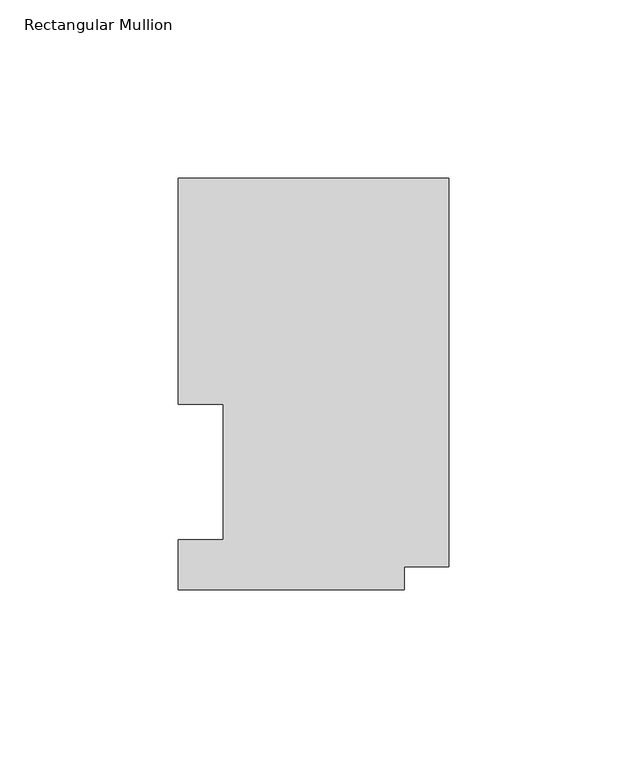
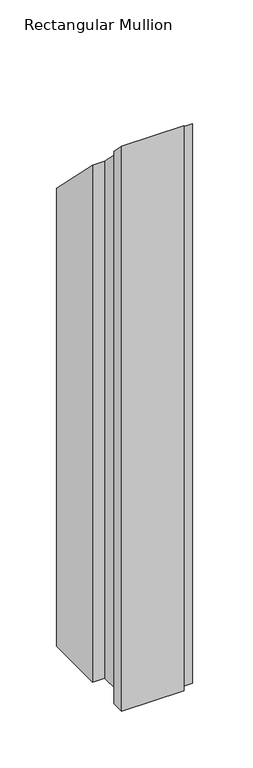
"""IFC4 building model written with IfcOpenShell, lengths in millimetres: member geometry, Rectangular Mullion."""

from ifc_helpers import new_model, si_unit, origin, place, context, project, spatial, faceted_brep, source, transform, mapped, element, save


def rectangular_mullion_5a230d38(model_context):
    return source(origin(), model_context, "Body", "Brep", [
        faceted_brep([(0.0, 115.5898607, -609.6), (0.0, 6.3856708, -609.6), (-12.5262802, 6.3856708, -609.6), (-12.5262802, 0.0198607, -609.6), (-76.0262802, 0.0198607, -609.6), (-76.0262802, 13.9898777, -609.6), (-63.3262802, 13.9898777, -609.6), (-63.3262802, 52.0898438, -609.6), (-76.0222, 52.0898438, -609.6), (-76.0222, 115.5898607, -609.6), (-76.0222, 115.5898607, -115.5898607), (0.0, 115.5898607, -115.5898607), (-76.0222, 52.0898438, -52.0898437), (-63.3262802, 52.0898438, -52.0898437), (-63.3262802, 13.9898777, -13.9898777), (-76.0262802, 13.9898777, -13.9898777), (-76.0262802, 0.0198607, -0.0198607), (-12.5262802, 0.0198607, -0.0198607), (-12.5262802, 6.3856708, -6.3856708), (0.0, 6.3856708, -6.3856708)], [[[0, 1, 2, 3, 4, 5, 6, 7, 8, 9]], [[10, 11, 0, 9]], [[12, 10, 9, 8]], [[13, 12, 8, 7]], [[14, 13, 7, 6]], [[15, 14, 6, 5]], [[16, 15, 5, 4]], [[17, 16, 4, 3]], [[18, 17, 3, 2]], [[19, 18, 2, 1]], [[11, 19, 1, 0]], [[11, 10, 12, 13, 14, 15, 16, 17, 18, 19]]]),
    ])


if __name__ == "__main__":
    model = new_model("IFC4")
    model_context = context("Model", 3, world=origin())
    ifc_project = project(units=[si_unit("LENGTHUNIT", "METRE", prefix="MILLI")], contexts=[model_context])
    site = spatial("IfcSite", under=ifc_project)
    building = spatial("IfcBuilding", under=site)
    placement = place(None, origin())
    rectangular_mullion_shape = rectangular_mullion_5a230d38(model_context)
    element("IfcMember", 1, ObjectType="Rectangular Mullion", at=placement, inside=building, context=model_context, shape_type="MappedRepresentation", body=[
        mapped(rectangular_mullion_shape, transform((0.0, 0.0, 0.0), x_axis=(1.0, 0.0, 0.0), y_axis=(0.0, 1.0, 0.0), z_axis=(0.0, 0.0, 1.0))),
    ])
    save(model, "model.ifc")
